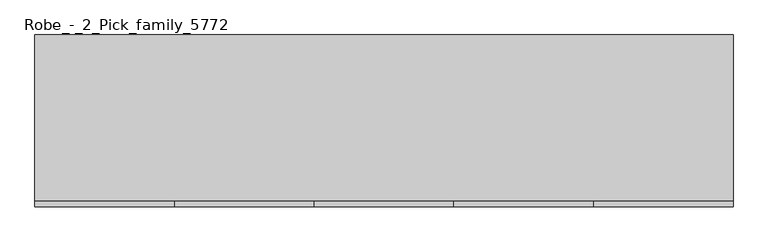
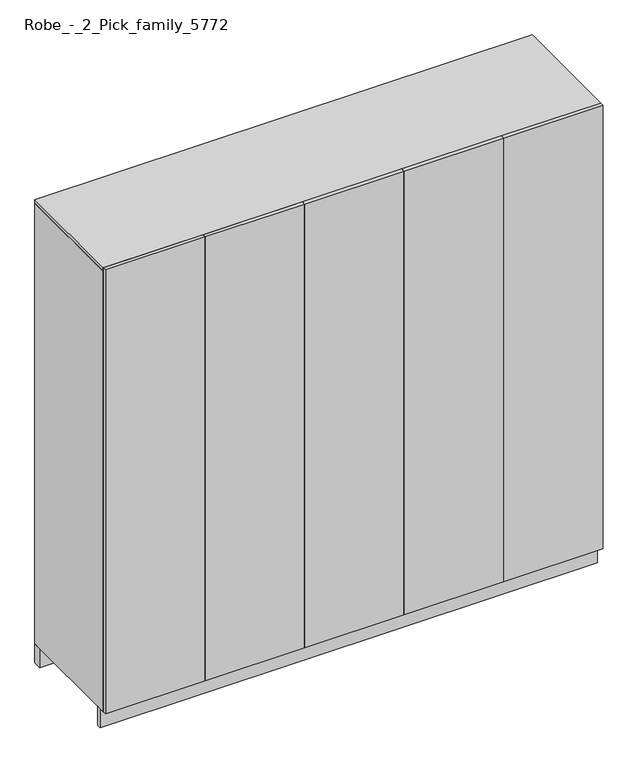
"""IFC4 building model written with IfcOpenShell, lengths in millimetres: furniture geometry, Robe_-_2_Pick_family_5772."""

from ifc_helpers import new_model, si_unit, point, frame, frame_2d, origin, origin_with_axes, place, context, project, spatial, polyline, circle_curve, trimmed, segment, composite_curve, outline, extrude, source, transform, mapped, element, save


def robe_2_pick_family_5772_338ed594(model_context):
    return source(origin(), model_context, "Body", "SweptSolid", [
        extrude(outline(polyline([(1952.0, -600.0), (1464.0, -600.0), (1464.0, -582.0), (1952.0, -582.0), (1952.0, -600.0)])), frame((0.0, 0.0, 100.0), z_axis=(0.0, 0.0, 1.0), x_axis=(1.0, 0.0, 0.0)), (0.0, 0.0, 1.0), 2300.0),
        extrude(outline(polyline([(1464.0, -600.0), (976.0, -600.0), (976.0, -582.0), (1464.0, -582.0), (1464.0, -600.0)])), frame((0.0, 0.0, 100.0), z_axis=(0.0, 0.0, 1.0), x_axis=(1.0, 0.0, 0.0)), (0.0, 0.0, 1.0), 2300.0),
        extrude(outline(polyline([(976.0, -600.0), (488.0, -600.0), (488.0, -582.0), (976.0, -582.0), (976.0, -600.0)])), frame((0.0, 0.0, 100.0), z_axis=(0.0, 0.0, 1.0), x_axis=(1.0, 0.0, 0.0)), (0.0, 0.0, 1.0), 2300.0),
        extrude(outline(polyline([(2440.0, -600.0), (1952.0, -600.0), (1952.0, -582.0), (2440.0, -582.0), (2440.0, -600.0)])), frame((0.0, 0.0, 100.0), z_axis=(0.0, 0.0, 1.0), x_axis=(1.0, 0.0, 0.0)), (0.0, 0.0, 1.0), 2300.0),
        extrude(outline(polyline([(488.0, -600.0), (0.0, -600.0), (0.0, -582.0), (488.0, -582.0), (488.0, -600.0)])), frame((0.0, 0.0, 100.0), z_axis=(0.0, 0.0, 1.0), x_axis=(1.0, 0.0, 0.0)), (0.0, 0.0, 1.0), 2300.0),
        extrude(outline(polyline([(0.0, 0.0), (2440.0, 0.0), (2440.0, -582.0), (2422.0, -582.0), (2422.0, -18.0), (18.0, -18.0), (18.0, -582.0), (0.0, -582.0), (0.0, 0.0)])), frame((0.0, 0.0, 100.0), z_axis=(0.0, 0.0, 1.0), x_axis=(1.0, 0.0, 0.0)), (0.0, 0.0, 1.0), 2282.0),
        extrude(outline(composite_curve([segment(trimmed(circle_curve(frame_2d((-275.0, 1750.0)), 15.0), [point((-290.0, 1750.0))], [point((-260.0, 1750.0))], False, "CARTESIAN"), True, "CONTINUOUS"), segment(trimmed(circle_curve(frame_2d((-275.0, 1750.0)), 15.0), [point((-260.0, 1750.0))], [point((-290.0, 1750.0))], False, "CARTESIAN"), True, "CONTINUOUS")], self_intersect=False)), frame((18.0, 0.0, 0.0), z_axis=(1.0, 0.0, 0.0), x_axis=(0.0, 1.0, 0.0)), (0.0, 0.0, 1.0), 2404.0),
        extrude(outline(polyline([(2422.0, -18.0), (2422.0, -582.0), (18.0, -582.0), (18.0, -18.0), (2422.0, -18.0)])), frame((0.0, 0.0, 100.0), z_axis=(0.0, 0.0, 1.0), x_axis=(1.0, 0.0, 0.0)), (0.0, 0.0, 1.0), 18.0),
        extrude(outline(polyline([(2440.0, 0.0), (2440.0, -582.0), (0.0, -582.0), (0.0, 0.0), (2440.0, 0.0)])), frame((0.0, 0.0, 2382.0), z_axis=(0.0, 0.0, 1.0), x_axis=(1.0, 0.0, 0.0)), (0.0, 0.0, 1.0), 18.0),
        extrude(outline(polyline([(2440.0, 0.0), (2440.0, -40.0), (0.0, -40.0), (0.0, 0.0), (2440.0, 0.0)])), origin_with_axes(), (0.0, 0.0, 1.0), 100.0),
        extrude(outline(polyline([(2440.0, -535.0), (2440.0, -553.0), (0.0, -553.0), (0.0, -535.0), (2440.0, -535.0)])), origin_with_axes(), (0.0, 0.0, 1.0), 100.0),
        extrude(outline(polyline([(2422.0, -18.0), (2422.0, -550.0), (18.0, -550.0), (18.0, -18.0), (2422.0, -18.0)])), frame((0.0, 0.0, 1791.0), z_axis=(0.0, 0.0, 1.0), x_axis=(1.0, 0.0, 0.0)), (0.0, 0.0, 1.0), 18.0),
    ])


if __name__ == "__main__":
    model = new_model("IFC4")
    model_context = context("Model", 3, world=origin())
    ifc_project = project(units=[si_unit("LENGTHUNIT", "METRE", prefix="MILLI")], contexts=[model_context])
    site = spatial("IfcSite", under=ifc_project)
    building = spatial("IfcBuilding", under=site)
    placement = place(None, origin())
    robe_2_pick_family_5772_shape = robe_2_pick_family_5772_338ed594(model_context)
    element("IfcFurniture", 1, ObjectType="Robe_-_2_Pick_family_5772", at=placement, inside=building, context=model_context, shape_type="MappedRepresentation", body=[
        mapped(robe_2_pick_family_5772_shape, transform((0.0, 0.0, 0.0), x_axis=(1.0, 0.0, 0.0), y_axis=(0.0, 1.0, 0.0), z_axis=(0.0, 0.0, 1.0))),
    ])
    save(model, "model.ifc")
